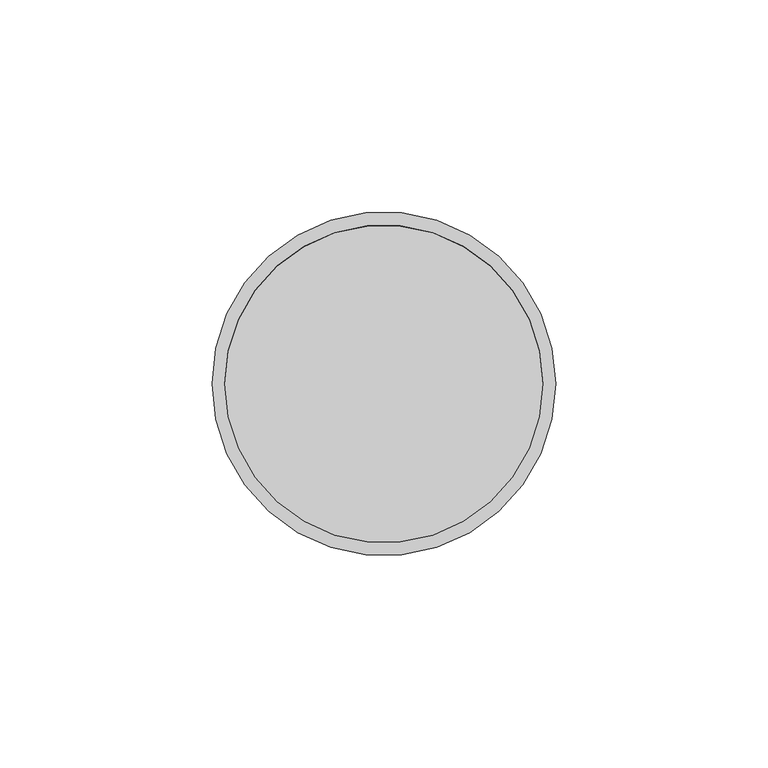
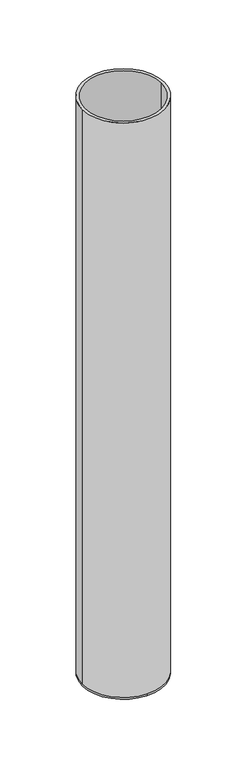
"""IFC4 building model written with IfcOpenShell, lengths in millimetres: beam geometry."""

from ifc_helpers import new_model, si_unit, frame, origin, place, context, project, spatial, polyline, circle_curve, source, transform, mapped, element, save
from ifc_brep_helpers import plane_surface, cylinder_surface, revolved_surface, advanced_brep


def beam_0fbca491(model_context):
    return source(origin(), model_context, "Body", "AdvancedBrep", [
        advanced_brep(
        [(40.5, 0.0, 0.0), (-40.5, 0.0, 0.0), (37.5, 0.0, 0.0), (-37.5, 0.0, 0.0), (37.5, 0.0, -598.0), (-37.5, 0.0, -598.0), (40.5, 0.0, -598.0), (0.0, 40.5, -598.0), (-40.5, 0.0, -598.0), (0.0, -40.5, -598.0), (0.0, 40.5, -600.0), (0.0, -40.5, -600.0)],
        [
            (0, 1, circle_curve(frame((0.0, 0.0, 0.0), z_axis=(0.0, 0.0, 1.0), x_axis=(-1.0, 0.0, 0.0)), 40.5)),
            (1, 0, circle_curve(frame((0.0, 0.0, 0.0), z_axis=(0.0, 0.0, 1.0), x_axis=(-1.0, 0.0, 0.0)), 40.5)),
            (2, 3, circle_curve(frame((0.0, 0.0, 0.0), z_axis=(0.0, 0.0, -1.0), x_axis=(-1.0, 0.0, 0.0)), 37.5)),
            (3, 2, circle_curve(frame((0.0, 0.0, 0.0), z_axis=(0.0, 0.0, -1.0), x_axis=(-1.0, 0.0, 0.0)), 37.5)),
            (2, 4),
            (4, 5, circle_curve(frame((0.0, 0.0, -598.0), z_axis=(0.0, 0.0, -1.0), x_axis=(-1.0, 0.0, 0.0)), 37.5)),
            (5, 3),
            (5, 4, circle_curve(frame((0.0, 0.0, -598.0), z_axis=(0.0, 0.0, -1.0), x_axis=(-1.0, 0.0, 0.0)), 37.5)),
            (0, 6),
            (6, 7, circle_curve(frame((0.0, 0.0, -598.0), z_axis=(0.0, 0.0, 1.0), x_axis=(-1.0, 0.0, 0.0)), 40.5)),
            (7, 8, circle_curve(frame((0.0, 0.0, -598.0), z_axis=(0.0, 0.0, 1.0), x_axis=(-1.0, 0.0, 0.0)), 40.5)),
            (8, 1),
            (8, 9, circle_curve(frame((0.0, 0.0, -598.0), z_axis=(0.0, 0.0, 1.0), x_axis=(-1.0, 0.0, 0.0)), 40.5)),
            (9, 6, circle_curve(frame((0.0, 0.0, -598.0), z_axis=(0.0, 0.0, 1.0), x_axis=(-1.0, 0.0, 0.0)), 40.5)),
            (10, 11, circle_curve(frame((0.0, 0.0, -600.0), z_axis=(0.0, 0.0, -1.0), x_axis=(0.0, -1.0, 0.0)), 40.5)),
            (11, 10, circle_curve(frame((0.0, 0.0, -600.0), z_axis=(0.0, 0.0, -1.0), x_axis=(0.0, -1.0, 0.0)), 40.5)),
            (11, 9),
            (7, 10),
        ],
        [
            plane_surface(frame((0.0, 0.0, 0.0), z_axis=(0.0, 0.0, 1.0), x_axis=(0.0, -1.0, 0.0))),
            revolved_surface(polyline([(-37.5, 0.0, 0.0), (-37.5, 0.0, -598.0)]), (0.0, 0.0, -598.0), (0.0, 0.0, 1.0)),
            cylinder_surface(frame((0.0, 0.0, -598.0), z_axis=(0.0, 0.0, -1.0), x_axis=(-1.0, 0.0, 0.0)), 40.5),
            plane_surface(frame((0.0, 0.0, -598.0), z_axis=(0.0, 0.0, 1.0), x_axis=(0.0, -1.0, 0.0))),
            plane_surface(frame((0.0, 0.0, -600.0), z_axis=(0.0, 0.0, -1.0), x_axis=(0.0, -1.0, 0.0))),
            cylinder_surface(frame((0.0, 0.0, -598.0), z_axis=(0.0, 0.0, 1.0), x_axis=(0.0, -1.0, 0.0)), 40.5),
        ],
        [
            (0, [[1, 2], [3, 4]]),
            (1, [[-3, 5, 6, 7]]),
            (1, [[-4, -7, 8, -5]]),
            (2, [[-1, 9, 10, 11, 12]]),
            (2, [[-2, -12, 13, 14, -9]]),
            (3, [[-6, -8]]),
            (4, [[15, 16]]),
            (5, [[-16, 17, -13, -11, 18]]),
            (5, [[-15, -18, -10, -14, -17]]),
        ],
    ),
    ])


if __name__ == "__main__":
    model = new_model("IFC4")
    model_context = context("Model", 3, world=origin())
    ifc_project = project(units=[si_unit("LENGTHUNIT", "METRE", prefix="MILLI")], contexts=[model_context])
    site = spatial("IfcSite", under=ifc_project)
    building = spatial("IfcBuilding", under=site)
    placement = place(None, origin())
    beam_shape = beam_0fbca491(model_context)
    element("IfcBeam", 1, at=placement, inside=building, context=model_context, shape_type="MappedRepresentation", body=[
        mapped(beam_shape, transform((0.0, 0.0, 0.0), x_axis=(1.0, 0.0, 0.0), y_axis=(0.0, 1.0, 0.0), z_axis=(0.0, 0.0, 1.0))),
    ])
    save(model, "model.ifc")
